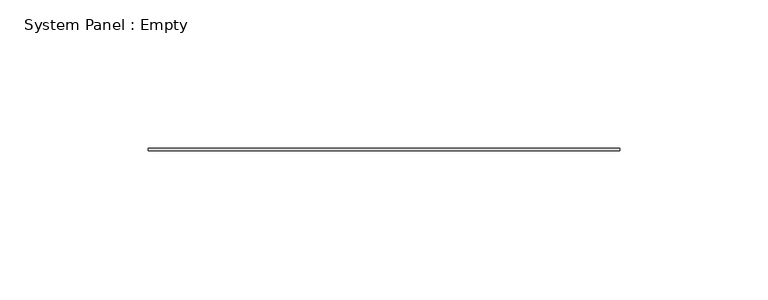
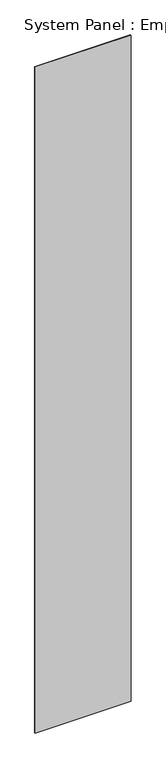
"""IFC4 building model written with IfcOpenShell, lengths in millimetres: plate geometry, System Panel : Empty."""

from ifc_helpers import new_model, si_unit, origin, origin_with_axes, place, context, project, spatial, polyline, outline, extrude, source, transform, mapped, element, save


def system_panel_empty_26124c7e(model_context):
    return source(origin(), model_context, "Body", "SweptSolid", [
        extrude(outline(polyline([(79.375, -0.396875), (-79.375, -0.396875), (-79.375, 0.396875), (79.375, 0.396875), (79.375, -0.396875)])), origin_with_axes(), (0.0, 0.0, 1.0), 1165.225),
    ])


if __name__ == "__main__":
    model = new_model("IFC4")
    model_context = context("Model", 3, world=origin())
    ifc_project = project(units=[si_unit("LENGTHUNIT", "METRE", prefix="MILLI")], contexts=[model_context])
    site = spatial("IfcSite", under=ifc_project)
    building = spatial("IfcBuilding", under=site)
    placement = place(None, origin())
    system_panel_empty_shape = system_panel_empty_26124c7e(model_context)
    element("IfcPlate", 1, ObjectType="System Panel : Empty", at=placement, inside=building, context=model_context, shape_type="MappedRepresentation", body=[
        mapped(system_panel_empty_shape, transform((0.0, 0.0, 0.0), x_axis=(1.0, 0.0, 0.0), y_axis=(0.0, 1.0, 0.0), z_axis=(0.0, 0.0, 1.0))),
    ])
    save(model, "model.ifc")
